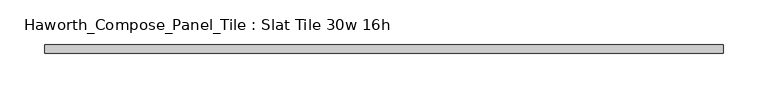
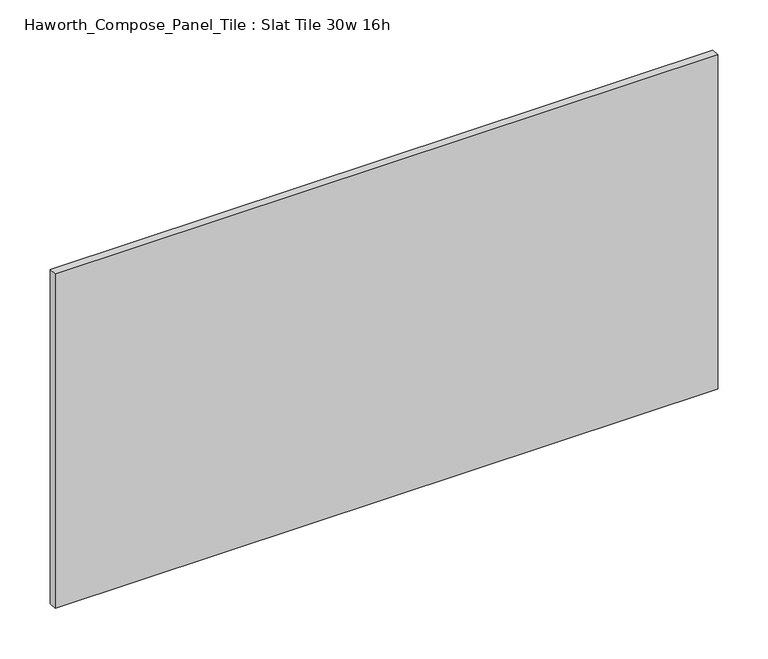
"""IFC4 building model written with IfcOpenShell, lengths in millimetres: furniture geometry, Haworth_Compose_Panel_Tile : Slat Tile 30w 16h."""

from ifc_helpers import new_model, si_unit, frame, origin, place, context, project, spatial, polyline, outline, extrude, source, transform, mapped, element, save


def haworth_compose_panel_tile_slat_tile_30w_16h_4c9099fd(model_context):
    return source(origin(), model_context, "Body", "SweptSolid", [
        extrude(outline(polyline([(383.4402902, -25.7218594), (-378.5597098, -25.7218594), (-378.5597098, -16.1968594), (383.4402902, -16.1968594), (383.4402902, -25.7218594)])), frame((0.0, 0.0, 1066.8), z_axis=(0.0, 0.0, 1.0), x_axis=(1.0, 0.0, 0.0)), (0.0, 0.0, 1.0), 406.4),
    ])


if __name__ == "__main__":
    model = new_model("IFC4")
    model_context = context("Model", 3, world=origin())
    ifc_project = project(units=[si_unit("LENGTHUNIT", "METRE", prefix="MILLI")], contexts=[model_context])
    site = spatial("IfcSite", under=ifc_project)
    building = spatial("IfcBuilding", under=site)
    placement = place(None, origin())
    haworth_compose_panel_tile_slat_tile_30w_16h_shape = haworth_compose_panel_tile_slat_tile_30w_16h_4c9099fd(model_context)
    element("IfcFurniture", 1, ObjectType="Haworth_Compose_Panel_Tile : Slat Tile 30w 16h", at=placement, inside=building, context=model_context, shape_type="MappedRepresentation", body=[
        mapped(haworth_compose_panel_tile_slat_tile_30w_16h_shape, transform((0.0, 0.0, 0.0), x_axis=(1.0, 0.0, 0.0), y_axis=(0.0, 1.0, 0.0), z_axis=(0.0, 0.0, 1.0))),
    ])
    save(model, "model.ifc")
